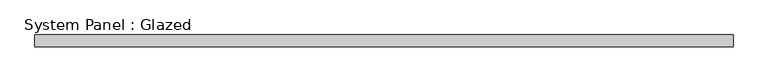
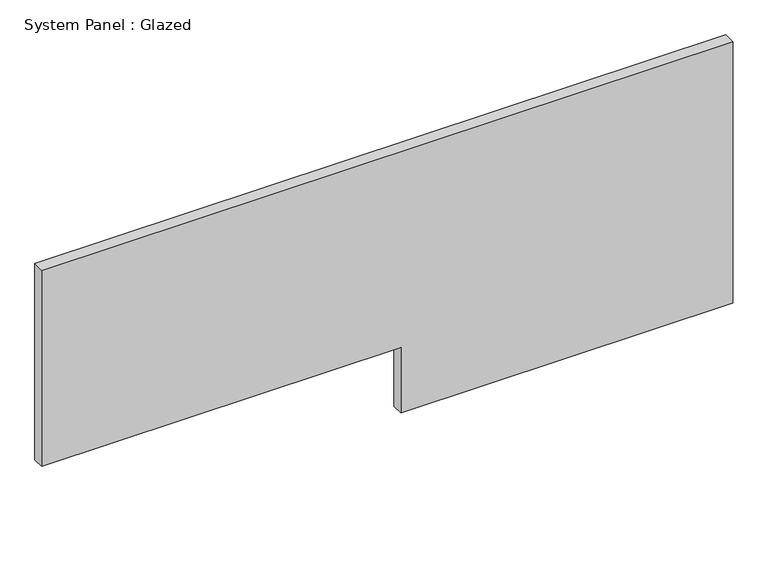
"""IFC4 building model written with IfcOpenShell, lengths in millimetres: plate geometry, System Panel : Glazed."""

from ifc_helpers import new_model, si_unit, frame, origin, place, context, project, spatial, polyline, outline, extrude, source, transform, mapped, element, save


def system_panel_glazed_a540488c(model_context):
    return source(origin(), model_context, "Body", "SweptSolid", [
        extrude(outline(polyline([(0.0, 30.1489857), (0.0, 762.0), (609.6, 762.0), (609.6, -762.0), (152.4, -762.0), (152.4, 30.1489857), (0.0, 30.1489857)])), frame((0.0, 19.05, 0.0), z_axis=(0.0, 1.0, 0.0), x_axis=(0.0, 0.0, 1.0)), (0.0, 0.0, 1.0), 25.4),
    ])


if __name__ == "__main__":
    model = new_model("IFC4")
    model_context = context("Model", 3, world=origin())
    ifc_project = project(units=[si_unit("LENGTHUNIT", "METRE", prefix="MILLI")], contexts=[model_context])
    site = spatial("IfcSite", under=ifc_project)
    building = spatial("IfcBuilding", under=site)
    placement = place(None, origin())
    system_panel_glazed_shape = system_panel_glazed_a540488c(model_context)
    element("IfcPlate", 1, ObjectType="System Panel : Glazed", at=placement, inside=building, context=model_context, shape_type="MappedRepresentation", body=[
        mapped(system_panel_glazed_shape, transform((0.0, 0.0, 0.0), x_axis=(1.0, 0.0, 0.0), y_axis=(0.0, 1.0, 0.0), z_axis=(0.0, 0.0, 1.0))),
    ])
    save(model, "model.ifc")
